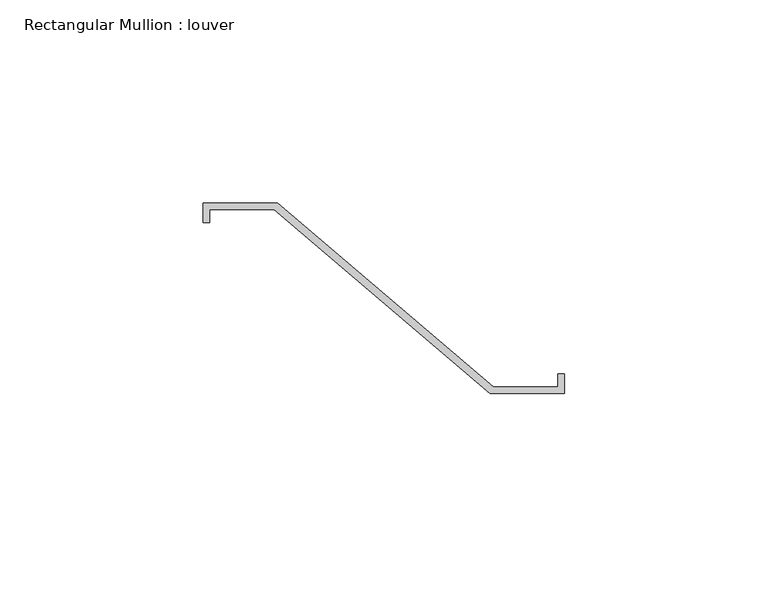
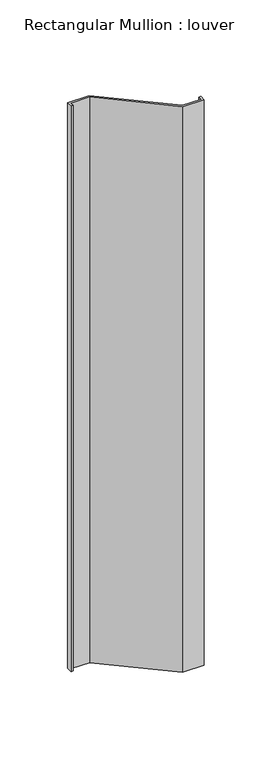
"""IFC4 building model written with IfcOpenShell, lengths in millimetres: member geometry, Rectangular Mullion : louver."""

from ifc_helpers import new_model, si_unit, frame, origin, place, context, project, spatial, polyline, outline, extrude, source, transform, mapped, element, save


def rectangular_mullion_louver_6c518385(model_context):
    return source(origin(), model_context, "Body", "SweptSolid", [
        extrude(outline(polyline([(-44.846875, 22.621875), (-26.590625, 22.621875), (26.590625, -22.621875), (42.465625, -22.621875), (42.465625, -19.446875), (44.053125, -19.446875), (44.053125, -24.209375), (25.796875, -24.209375), (-27.384375, 21.034375), (-43.259375, 21.034375), (-43.259375, 17.859375), (-44.846875, 17.859375), (-44.846875, 22.621875)])), frame((0.0, 0.0, -508.0), z_axis=(0.0, 0.0, 1.0), x_axis=(1.0, 0.0, 0.0)), (0.0, 0.0, 1.0), 508.0),
    ])


if __name__ == "__main__":
    model = new_model("IFC4")
    model_context = context("Model", 3, world=origin())
    ifc_project = project(units=[si_unit("LENGTHUNIT", "METRE", prefix="MILLI")], contexts=[model_context])
    site = spatial("IfcSite", under=ifc_project)
    building = spatial("IfcBuilding", under=site)
    placement = place(None, origin())
    rectangular_mullion_louver_shape = rectangular_mullion_louver_6c518385(model_context)
    element("IfcMember", 1, ObjectType="Rectangular Mullion : louver", at=placement, inside=building, context=model_context, shape_type="MappedRepresentation", body=[
        mapped(rectangular_mullion_louver_shape, transform((0.0, 0.0, 0.0), x_axis=(1.0, 0.0, 0.0), y_axis=(0.0, 1.0, 0.0), z_axis=(0.0, 0.0, 1.0))),
    ])
    save(model, "model.ifc")
